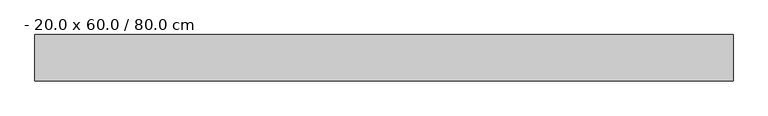
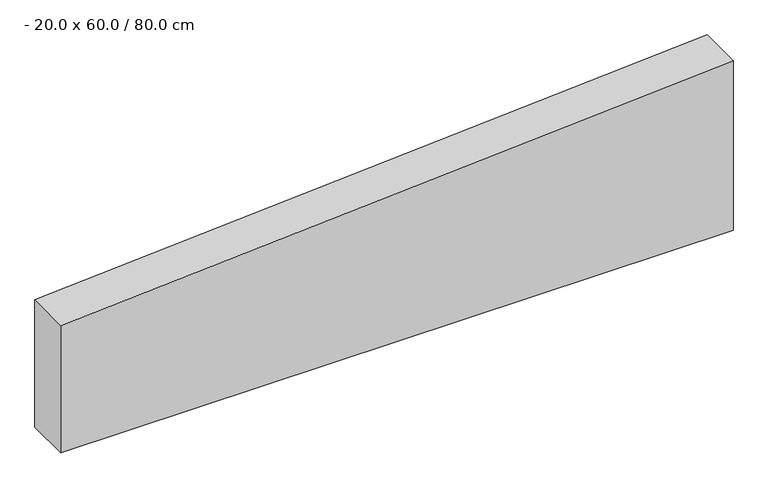
"""IFC4 building model written with IfcOpenShell, lengths in millimetres: beam geometry, - 20.0 x 60.0 / 80.0 cm."""

from ifc_helpers import new_model, si_unit, frame, origin, place, context, project, spatial, polyline, outline, extrude, source, transform, mapped, element, save


def beam_20_0_x_60_0_80_0_cm_fb411f3d(model_context):
    return source(origin(), model_context, "Body", "SweptSolid", [
        extrude(outline(polyline([(-150.0, 1500.0), (650.0, 1500.0), (450.0, -1500.0), (-150.0, -1500.0), (-150.0, 1500.0)])), frame((0.0, -100.0, 0.0), z_axis=(0.0, 1.0, 0.0), x_axis=(0.0, 0.0, 1.0)), (0.0, 0.0, 1.0), 200.0),
    ])


if __name__ == "__main__":
    model = new_model("IFC4")
    model_context = context("Model", 3, world=origin())
    ifc_project = project(units=[si_unit("LENGTHUNIT", "METRE", prefix="MILLI")], contexts=[model_context])
    site = spatial("IfcSite", under=ifc_project)
    building = spatial("IfcBuilding", under=site)
    placement = place(None, origin())
    beam_20_0_x_60_0_80_0_cm_shape = beam_20_0_x_60_0_80_0_cm_fb411f3d(model_context)
    element("IfcBeam", 1, ObjectType="- 20.0 x 60.0 / 80.0 cm", at=placement, inside=building, context=model_context, shape_type="MappedRepresentation", body=[
        mapped(beam_20_0_x_60_0_80_0_cm_shape, transform((0.0, 0.0, 0.0), x_axis=(1.0, 0.0, 0.0), y_axis=(0.0, 1.0, 0.0), z_axis=(0.0, 0.0, 1.0))),
    ])
    save(model, "model.ifc")
